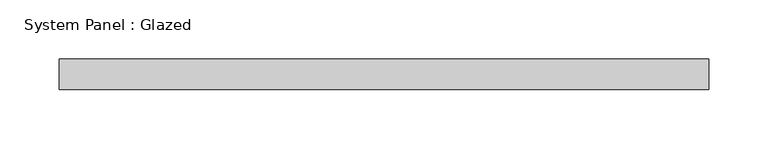
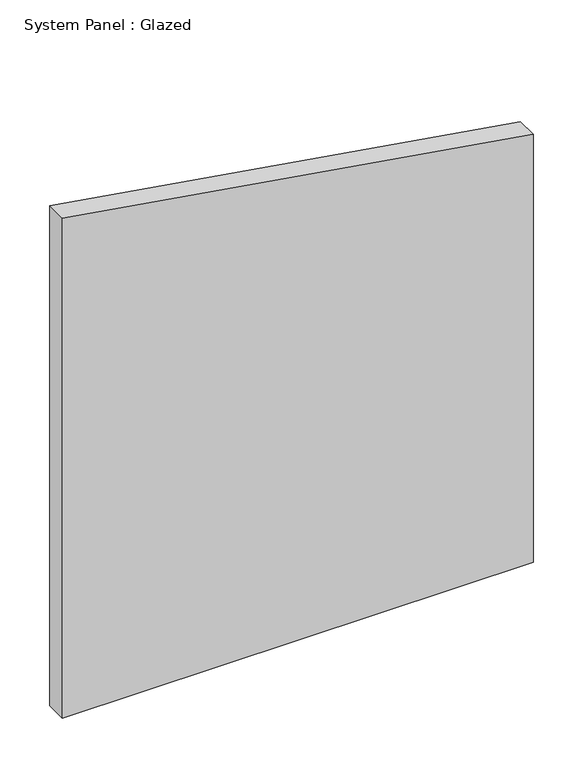
"""IFC4 building model written with IfcOpenShell, lengths in millimetres: plate geometry, System Panel : Glazed."""

from ifc_helpers import new_model, si_unit, frame, origin, place, context, project, spatial, polyline, outline, extrude, source, transform, mapped, element, save


def system_panel_glazed_3f9d80c7(model_context):
    return source(origin(), model_context, "Body", "SweptSolid", [
        extrude(outline(polyline([(0.0, -273.05), (0.0, 273.05), (524.8225365, 273.05), (613.3409196, -273.05), (0.0, -273.05)])), frame((0.0, 19.05, 0.0), z_axis=(0.0, 1.0, 0.0), x_axis=(0.0, 0.0, 1.0)), (0.0, 0.0, 1.0), 25.4),
    ])


if __name__ == "__main__":
    model = new_model("IFC4")
    model_context = context("Model", 3, world=origin())
    ifc_project = project(units=[si_unit("LENGTHUNIT", "METRE", prefix="MILLI")], contexts=[model_context])
    site = spatial("IfcSite", under=ifc_project)
    building = spatial("IfcBuilding", under=site)
    placement = place(None, origin())
    system_panel_glazed_shape = system_panel_glazed_3f9d80c7(model_context)
    element("IfcPlate", 1, ObjectType="System Panel : Glazed", at=placement, inside=building, context=model_context, shape_type="MappedRepresentation", body=[
        mapped(system_panel_glazed_shape, transform((0.0, 0.0, 0.0), x_axis=(1.0, 0.0, 0.0), y_axis=(0.0, 1.0, 0.0), z_axis=(0.0, 0.0, 1.0))),
    ])
    save(model, "model.ifc")
